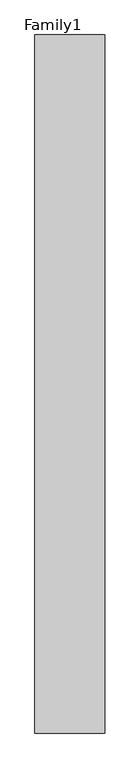
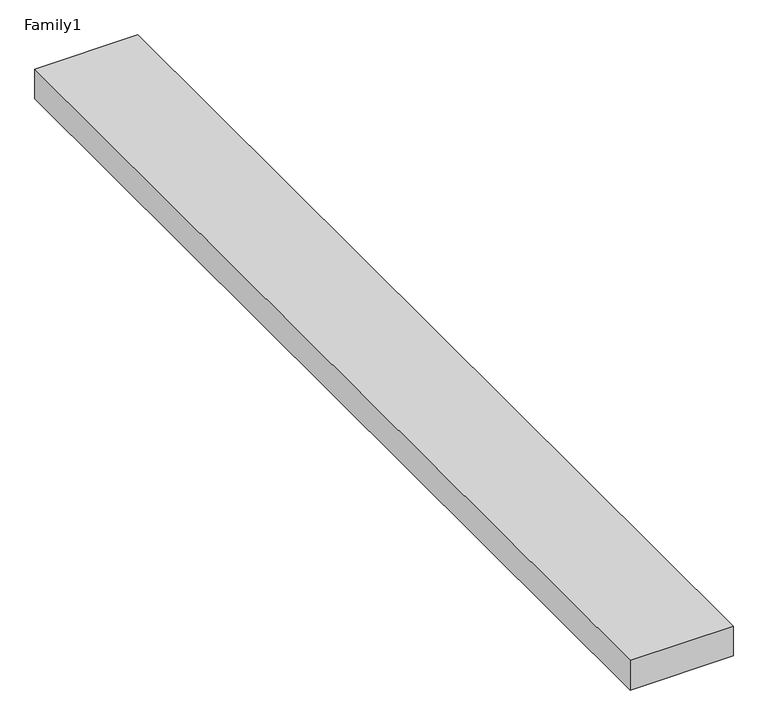
"""IFC4 building model written with IfcOpenShell, lengths in millimetres: proxy geometry, Family1."""

from ifc_helpers import new_model, si_unit, origin, origin_with_axes, place, context, project, spatial, polyline, outline, extrude, source, transform, mapped, element, save


def family1_8d56faa9(model_context):
    return source(origin(), model_context, "Body", "SweptSolid", [
        extrude(outline(polyline([(5000.0, 0.0), (0.0, 0.0), (0.0, 50000.0), (5000.0, 50000.0), (5000.0, 0.0)])), origin_with_axes(), (0.0, 0.0, 1.0), 1526.0),
    ])


if __name__ == "__main__":
    model = new_model("IFC4")
    model_context = context("Model", 3, world=origin())
    ifc_project = project(units=[si_unit("LENGTHUNIT", "METRE", prefix="MILLI")], contexts=[model_context])
    site = spatial("IfcSite", under=ifc_project)
    building = spatial("IfcBuilding", under=site)
    placement = place(None, origin())
    family1_shape = family1_8d56faa9(model_context)
    element("IfcBuildingElementProxy", 1, Name="Family1", ObjectType="Family1", at=placement, inside=building, context=model_context, shape_type="MappedRepresentation", body=[
        mapped(family1_shape, transform((0.0, 0.0, 0.0), x_axis=(1.0, 0.0, 0.0), y_axis=(0.0, 1.0, 0.0), z_axis=(0.0, 0.0, 1.0))),
    ])
    save(model, "model.ifc")
